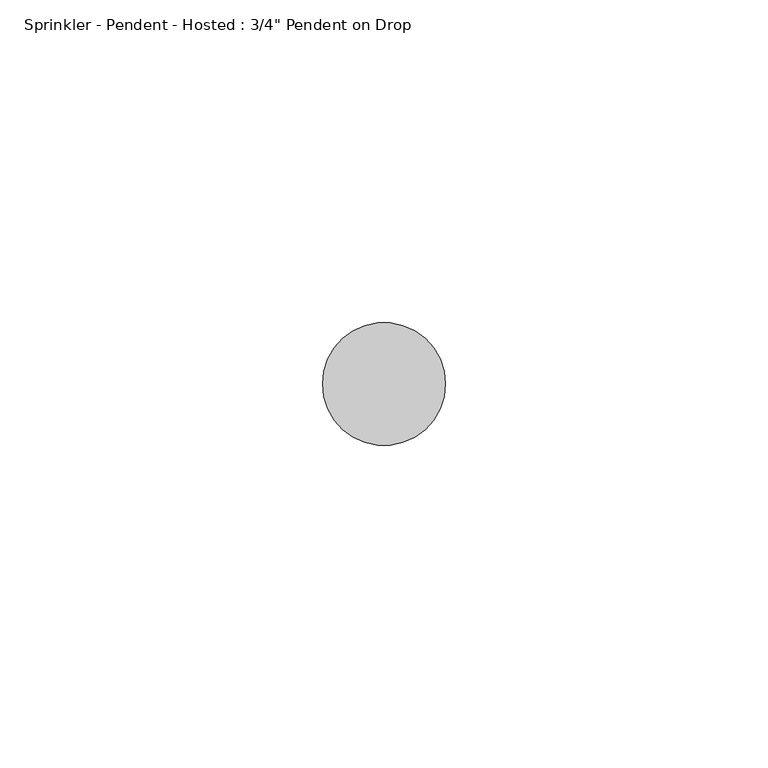
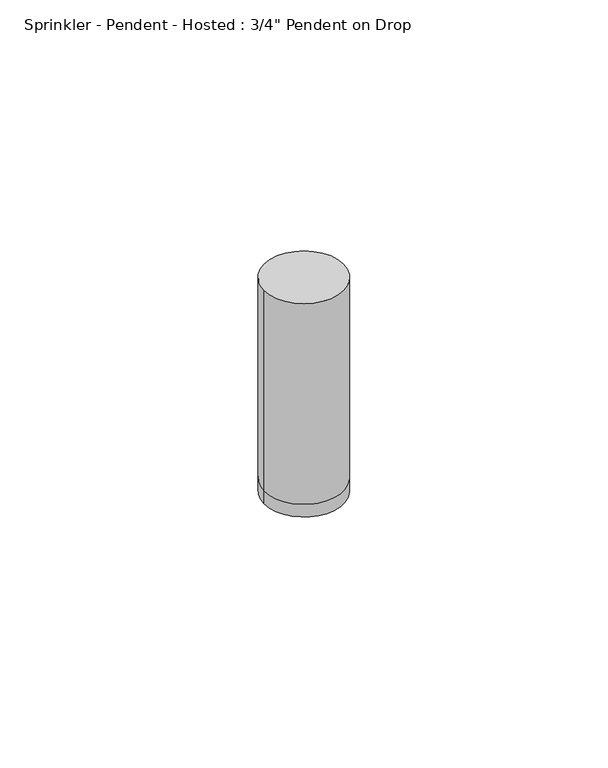
"""IFC4 building model written with IfcOpenShell, lengths in millimetres: fire suppression terminal geometry."""

from ifc_helpers import new_model, si_unit, frame, origin, origin_with_axes, place, context, project, spatial, circle_curve, source, transform, mapped, element, save
from ifc_brep_helpers import plane_surface, cylinder_surface, advanced_brep


def fire_suppression_terminal_f93c10ce(model_context):
    return source(origin(), model_context, "Body", "AdvancedBrep", [
        advanced_brep(
        [(-9.525, 0.0, 0.0), (9.525, 0.0, 0.0), (9.525, 0.0, 3.175), (-9.525, 0.0, 3.175), (-9.525, 0.0, 53.975), (9.525, 0.0, 53.975)],
        [
            (0, 1, circle_curve(frame((0.0, 0.0, 0.0), z_axis=(0.0, 0.0, -1.0), x_axis=(1.0, 0.0, 0.0)), 9.525)),
            (1, 0, circle_curve(frame((0.0, 0.0, 0.0), z_axis=(0.0, 0.0, -1.0), x_axis=(1.0, 0.0, 0.0)), 9.525)),
            (1, 2),
            (2, 3, circle_curve(frame((0.0, 0.0, 3.175), z_axis=(0.0, 0.0, -1.0), x_axis=(1.0, 0.0, 0.0)), 9.525)),
            (3, 0),
            (3, 2, circle_curve(frame((0.0, 0.0, 3.175), z_axis=(0.0, 0.0, -1.0), x_axis=(1.0, 0.0, 0.0)), 9.525)),
            (4, 5, circle_curve(frame((0.0, 0.0, 53.975), z_axis=(0.0, 0.0, 1.0), x_axis=(1.0, 0.0, 0.0)), 9.525)),
            (5, 4, circle_curve(frame((0.0, 0.0, 53.975), z_axis=(0.0, 0.0, 1.0), x_axis=(1.0, 0.0, 0.0)), 9.525)),
            (4, 3),
            (2, 5),
        ],
        [
            plane_surface(frame((9.525, 0.0, 0.0), z_axis=(0.0, 0.0, -1.0), x_axis=(0.0, -1.0, 0.0))),
            cylinder_surface(origin_with_axes(), 9.525),
            plane_surface(frame((9.525, 0.0, 53.975), z_axis=(0.0, 0.0, 1.0), x_axis=(0.0, 1.0, 0.0))),
        ],
        [
            (0, [[1, 2]]),
            (1, [[-2, 3, 4, 5]]),
            (1, [[-1, -5, 6, -3]]),
            (2, [[7, 8]]),
            (1, [[-7, 9, -4, 10]]),
            (1, [[-8, -10, -6, -9]]),
        ],
    ),
    ])


if __name__ == "__main__":
    model = new_model("IFC4")
    model_context = context("Model", 3, world=origin())
    ifc_project = project(units=[si_unit("LENGTHUNIT", "METRE", prefix="MILLI")], contexts=[model_context])
    site = spatial("IfcSite", under=ifc_project)
    building = spatial("IfcBuilding", under=site)
    placement = place(None, origin())
    fire_suppression_terminal_shape = fire_suppression_terminal_f93c10ce(model_context)
    element("IfcFireSuppressionTerminal", 1, ObjectType="Sprinkler - Pendent - Hosted : 3/4\" Pendent on Drop", at=placement, inside=building, context=model_context, shape_type="MappedRepresentation", body=[
        mapped(fire_suppression_terminal_shape, transform((0.0, 0.0, 0.0), x_axis=(1.0, 0.0, 0.0), y_axis=(0.0, 1.0, 0.0), z_axis=(0.0, 0.0, 1.0))),
    ])
    save(model, "model.ifc")
